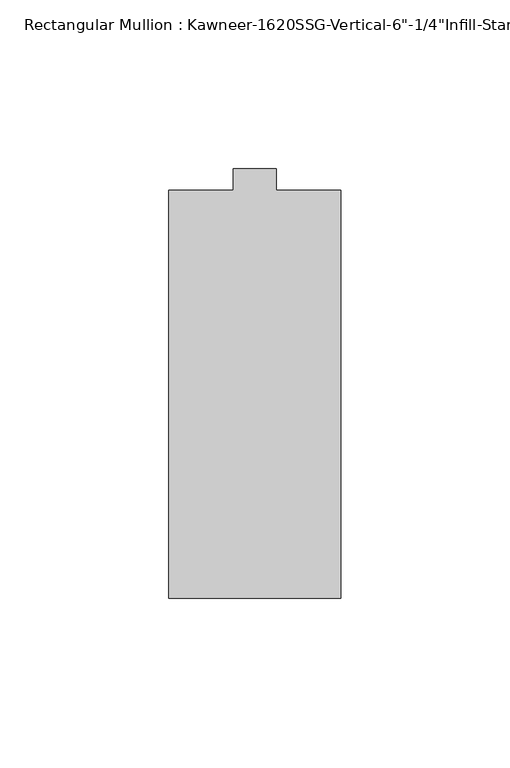
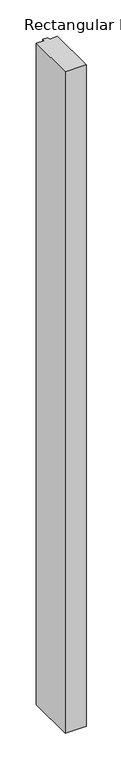
"""IFC4 building model written with IfcOpenShell, lengths in millimetres: member geometry."""

from ifc_helpers import new_model, si_unit, frame, origin, place, context, project, spatial, polyline, outline, extrude, source, transform, mapped, element, save


def member_a6c5b96b(model_context):
    return source(origin(), model_context, "Body", "SweptSolid", [
        extrude(outline(polyline([(25.4, -123.825), (-25.4, -123.825), (-25.4, -3.175), (-6.35, -3.175), (-6.35, 3.175), (6.35, 3.175), (6.35, -3.175), (25.4, -3.175), (25.4, -123.825)])), frame((0.0, 0.0, -1695.45), z_axis=(0.0, 0.0, 1.0), x_axis=(1.0, 0.0, 0.0)), (0.0, 0.0, 1.0), 1695.45),
    ])


if __name__ == "__main__":
    model = new_model("IFC4")
    model_context = context("Model", 3, world=origin())
    ifc_project = project(units=[si_unit("LENGTHUNIT", "METRE", prefix="MILLI")], contexts=[model_context])
    site = spatial("IfcSite", under=ifc_project)
    building = spatial("IfcBuilding", under=site)
    placement = place(None, origin())
    member_shape = member_a6c5b96b(model_context)
    element("IfcMember", 1, ObjectType="Rectangular Mullion : Kawneer-1620SSG-Vertical-6\"-1/4\"Infill-Standard", at=placement, inside=building, context=model_context, shape_type="MappedRepresentation", body=[
        mapped(member_shape, transform((0.0, 0.0, 0.0), x_axis=(1.0, 0.0, 0.0), y_axis=(0.0, 1.0, 0.0), z_axis=(0.0, 0.0, 1.0))),
    ])
    save(model, "model.ifc")
